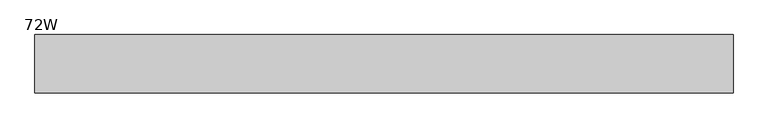
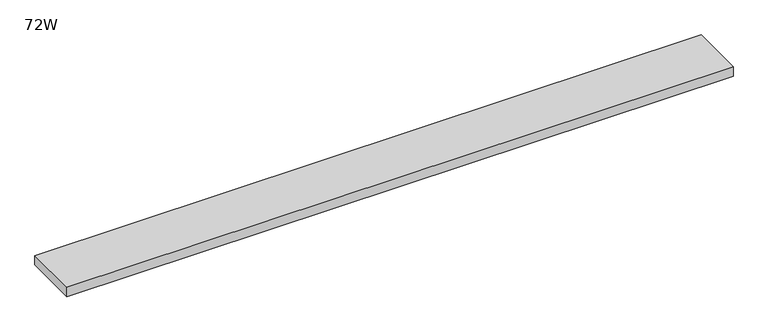
"""IFC4 building model written with IfcOpenShell, lengths in millimetres: furniture geometry, 72W."""

from ifc_helpers import new_model, si_unit, frame, origin, place, context, project, spatial, polyline, outline, extrude, source, transform, mapped, element, save


def furniture_72w_dd1a930b(model_context):
    return source(origin(), model_context, "Body", "SweptSolid", [
        extrude(outline(polyline([(1828.8, 0.0), (1828.8, -152.4), (0.0, -152.4), (0.0, 0.0), (1828.8, 0.0)])), frame((0.0, 0.0, 1123.95), z_axis=(0.0, 0.0, 1.0), x_axis=(1.0, 0.0, 0.0)), (0.0, 0.0, 1.0), 26.924),
    ])


if __name__ == "__main__":
    model = new_model("IFC4")
    model_context = context("Model", 3, world=origin())
    ifc_project = project(units=[si_unit("LENGTHUNIT", "METRE", prefix="MILLI")], contexts=[model_context])
    site = spatial("IfcSite", under=ifc_project)
    building = spatial("IfcBuilding", under=site)
    placement = place(None, origin())
    furniture_72w_shape = furniture_72w_dd1a930b(model_context)
    element("IfcFurniture", 1, ObjectType="72W", at=placement, inside=building, context=model_context, shape_type="MappedRepresentation", body=[
        mapped(furniture_72w_shape, transform((0.0, 0.0, 0.0), x_axis=(1.0, 0.0, 0.0), y_axis=(0.0, 1.0, 0.0), z_axis=(0.0, 0.0, 1.0))),
    ])
    save(model, "model.ifc")
